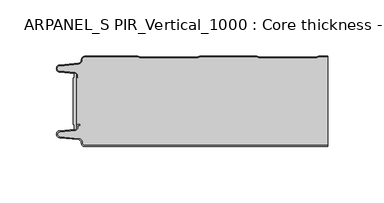
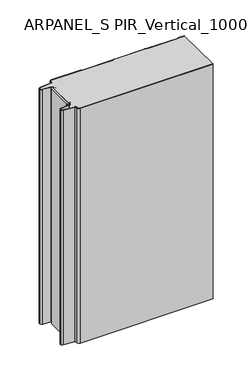
"""IFC4 building model written with IfcOpenShell, lengths in millimetres: plate geometry, ARPANEL_S PIR_Vertical_1000 : Core thickness - 80 mm."""

from ifc_helpers import new_model, si_unit, point, frame, frame_2d, origin, origin_with_axes, place, context, project, spatial, polyline, circle_curve, trimmed, segment, composite_curve, outline, extrude, source, transform, mapped, element, save
from ifc_brep_helpers import plane_surface, cylinder_surface, revolved_surface, advanced_brep


def arpanel_s_pir_vertical_1000_core_thickness_80_mm_1b1b6f76(model_context):
    return source(origin(), model_context, "Body", "SolidModel", [
        extrude(outline(composite_curve([segment(polyline([(-105.2854621, -19.4639745), (-104.0682893, -19.0209598), (-104.0682893, -15.20918)]), True, "CONTINUOUS"), segment(trimmed(circle_curve(frame_2d((-103.9194754, -17.302662)), 2.0987645), [point((-104.0682893, -15.20918))], [point((-102.4659308, -15.7887199))], False, "CARTESIAN"), True, "CONTINUOUS"), segment(polyline([(-102.4659308, -15.7887199), (-102.4659308, -64.2112801)]), True, "CONTINUOUS"), segment(trimmed(circle_curve(frame_2d((-103.9194754, -62.697338)), 2.0987645), [point((-102.4659308, -64.2112801))], [point((-104.0682893, -64.79082))], False, "CARTESIAN"), True, "CONTINUOUS"), segment(polyline([(-104.0682893, -64.79082), (-104.0682893, -60.9790402), (-105.2854621, -60.5360255), (-105.2854621, -19.4639745)]), True, "CONTINUOUS")], self_intersect=False)), origin_with_axes(), (0.0, 0.0, 1.0), 400.0),
        advanced_brep(
        [(-94.8000003, -79.9996949, 0.0), (-97.9923632, -76.5787437, 0.0), (-100.2560431, -73.9171154, 0.0), (-117.2115315, -72.2546153, 0.0), (-119.9999998, -69.1776715, 0.0), (-117.2115315, -66.1007278, 0.0), (-103.6195785, -64.7680252, 0.0), (-101.9952277, -62.9766159, 0.0), (-101.9952277, -61.8996949, 0.0), (-100.5952277, -60.4996949, 0.0), (-99.4952277, -60.4996949, 0.0), (-99.4952277, -61.2996949, 0.0), (-100.5952277, -61.2996949, 0.0), (-101.1952277, -61.8996949, 0.0), (-101.1952277, -62.9766159, 0.0), (-103.5415122, -65.5642071, 0.0), (-117.1334652, -66.8969097, 0.0), (-119.1999997, -69.1776715, 0.0), (-117.1334652, -71.4584333, 0.0), (-100.1779767, -73.1209335, 0.0), (-97.2078761, -76.6330399, 0.0), (-94.8000003, -79.1996949, 0.0), (119.9999998, -79.2, 0.0), (119.9999998, -79.9996949, 0.0), (-94.8000003, -79.1996949, 400.0), (-97.1942724, -76.6339815, 400.0), (-100.1779767, -73.1209335, 400.0), (-117.1334652, -71.4584333, 400.0), (-119.1999997, -69.1776715, 400.0), (-117.1334652, -66.8969097, 400.0), (-103.5415122, -65.5642071, 400.0), (-101.1952277, -62.9766159, 400.0), (-101.1952277, -61.8996949, 400.0), (-100.5952277, -61.2996949, 400.0), (-99.4952277, -61.2996949, 400.0), (-99.4952277, -60.4996949, 400.0), (-100.5952277, -60.4996949, 400.0), (-101.9952277, -61.8996949, 400.0), (-101.9952277, -62.9766159, 400.0), (-103.6195785, -64.7680252, 400.0), (-117.2115315, -66.1007278, 400.0), (-119.9999998, -69.1776715, 400.0), (-117.2115315, -72.2546153, 400.0), (-100.2560431, -73.9171154, 400.0), (-98.0059668, -76.5778021, 400.0), (-94.8000003, -79.9996949, 400.0), (119.9999998, -79.9996949, 400.0), (119.9999998, -79.2, 400.0)],
        [
            (0, 1, circle_curve(frame((-94.8000003, -76.7996949, 0.0), z_axis=(0.0, 0.0, -1.0), x_axis=(1.0, 0.0, 0.0)), 3.2)),
            (1, 2, circle_curve(frame((-100.5000003, -76.4051839, 0.0), z_axis=(0.0, 0.0, 1.0), x_axis=(1.0, 0.0, 0.0)), 2.5)),
            (2, 3),
            (3, 4, circle_curve(frame((-116.9100003, -69.1793626, 0.0), z_axis=(0.0, 0.0, -1.0), x_axis=(1.0, 0.0, 0.0)), 3.09)),
            (4, 5, circle_curve(frame((-116.9100003, -69.1759805, 0.0), z_axis=(0.0, 0.0, -1.0), x_axis=(1.0, 0.0, 0.0)), 3.09)),
            (5, 6),
            (6, 7, circle_curve(frame((-103.7952277, -62.9766159, 0.0), z_axis=(0.0, 0.0, 1.0), x_axis=(1.0, 0.0, 0.0)), 1.8)),
            (7, 8),
            (8, 9, circle_curve(frame((-100.5952277, -61.8996949, 0.0), z_axis=(0.0, 0.0, -1.0), x_axis=(1.0, 0.0, 0.0)), 1.4)),
            (9, 10),
            (10, 11),
            (11, 12),
            (12, 13, circle_curve(frame((-100.5952277, -61.8996949, 0.0), z_axis=(0.0, 0.0, 1.0), x_axis=(1.0, 0.0, 0.0)), 0.6)),
            (13, 14),
            (14, 15, circle_curve(frame((-103.7952277, -62.9766159, 0.0), z_axis=(0.0, 0.0, -1.0), x_axis=(1.0, 0.0, 0.0)), 2.6)),
            (15, 16),
            (16, 17, circle_curve(frame((-116.9100003, -69.1759805, 0.0), z_axis=(0.0, 0.0, 1.0), x_axis=(1.0, 0.0, 0.0)), 2.29)),
            (17, 18, circle_curve(frame((-116.9100003, -69.1793626, 0.0), z_axis=(0.0, 0.0, 1.0), x_axis=(1.0, 0.0, 0.0)), 2.29)),
            (18, 19),
            (19, 20, circle_curve(frame((-100.5000003, -76.4051839, 0.0), z_axis=(0.0, 0.0, -1.0), x_axis=(1.0, 0.0, 0.0)), 3.3)),
            (20, 21, circle_curve(frame((-94.8000003, -76.7996949, 0.0), z_axis=(0.0, 0.0, 1.0), x_axis=(1.0, 0.0, 0.0)), 2.4)),
            (21, 22),
            (22, 23),
            (23, 0),
            (24, 25, circle_curve(frame((-94.8000003, -76.7996949, 400.0), z_axis=(0.0, 0.0, -1.0), x_axis=(1.0, 0.0, 0.0)), 2.4)),
            (25, 26, circle_curve(frame((-100.5000003, -76.4051839, 400.0), z_axis=(0.0, 0.0, 1.0), x_axis=(1.0, 0.0, 0.0)), 3.3)),
            (26, 27),
            (27, 28, circle_curve(frame((-116.9100003, -69.1793626, 400.0), z_axis=(0.0, 0.0, -1.0), x_axis=(1.0, 0.0, 0.0)), 2.29)),
            (28, 29, circle_curve(frame((-116.9100003, -69.1759805, 400.0), z_axis=(0.0, 0.0, -1.0), x_axis=(1.0, 0.0, 0.0)), 2.29)),
            (29, 30),
            (30, 31, circle_curve(frame((-103.7952277, -62.9766159, 400.0), z_axis=(0.0, 0.0, 1.0), x_axis=(1.0, 0.0, 0.0)), 2.6)),
            (31, 32),
            (32, 33, circle_curve(frame((-100.5952277, -61.8996949, 400.0), z_axis=(0.0, 0.0, -1.0), x_axis=(1.0, 0.0, 0.0)), 0.6)),
            (33, 34),
            (34, 35),
            (35, 36),
            (36, 37, circle_curve(frame((-100.5952277, -61.8996949, 400.0), z_axis=(0.0, 0.0, 1.0), x_axis=(1.0, 0.0, 0.0)), 1.4)),
            (37, 38),
            (38, 39, circle_curve(frame((-103.7952277, -62.9766159, 400.0), z_axis=(0.0, 0.0, -1.0), x_axis=(1.0, 0.0, 0.0)), 1.8)),
            (39, 40),
            (40, 41, circle_curve(frame((-116.9100003, -69.1759805, 400.0), z_axis=(0.0, 0.0, 1.0), x_axis=(1.0, 0.0, 0.0)), 3.09)),
            (41, 42, circle_curve(frame((-116.9100003, -69.1793626, 400.0), z_axis=(0.0, 0.0, 1.0), x_axis=(1.0, 0.0, 0.0)), 3.09)),
            (42, 43),
            (43, 44, circle_curve(frame((-100.5000003, -76.4051839, 400.0), z_axis=(0.0, 0.0, -1.0), x_axis=(1.0, 0.0, 0.0)), 2.5)),
            (44, 45, circle_curve(frame((-94.8000003, -76.7996949, 400.0), z_axis=(0.0, 0.0, 1.0), x_axis=(1.0, 0.0, 0.0)), 3.2)),
            (45, 46),
            (46, 47),
            (47, 24),
            (21, 24),
            (47, 22),
            (20, 25),
            (19, 26),
            (18, 27),
            (17, 28),
            (16, 29),
            (15, 30),
            (14, 31),
            (13, 32),
            (12, 33),
            (11, 34),
            (10, 35),
            (9, 36),
            (8, 37),
            (7, 38),
            (6, 39),
            (5, 40),
            (4, 41),
            (3, 42),
            (2, 43),
            (1, 44),
            (0, 45),
            (23, 46),
        ],
        [
            plane_surface(frame((-119.9999998, -80.0, 0.0), z_axis=(0.0, 0.0, -1.0), x_axis=(0.0, 1.0, 0.0))),
            plane_surface(frame((-119.9999998, -80.0, 400.0), z_axis=(0.0, 0.0, 1.0), x_axis=(0.0, 1.0, 0.0))),
            plane_surface(frame((-94.8000003, -79.2, 0.0), z_axis=(0.0, 1.0, 0.0), x_axis=(0.0, 0.0, 1.0))),
            revolved_surface(polyline([(-92.40000029999999, -76.7996949, 400.0), (-92.40000029999999, -76.7996949, 0.0)]), (-94.8000003, -76.7996949, 0.0), (0.0, 0.0, 1.0)),
            cylinder_surface(frame((-100.5000003, -76.4051839, 0.0), z_axis=(0.0, 0.0, -1.0), x_axis=(1.0, 0.0, 0.0)), 3.3),
            plane_surface(frame((-117.1334652, -71.4584333, 0.0), z_axis=(0.09758289975914758, 0.9952273999818314, 0.0), x_axis=(0.0, 0.0, 1.0))),
            revolved_surface(polyline([(-114.62000029999999, -69.1793626, 400.0), (-114.62000029999999, -69.1793626, 0.0)]), (-116.9100003, -69.1793626, 0.0), (0.0, 0.0, 1.0)),
            revolved_surface(polyline([(-114.62000029999999, -69.1759805, 400.0), (-114.62000029999999, -69.1759805, 0.0)]), (-116.9100003, -69.1759805, 0.0), (0.0, 0.0, 1.0)),
            plane_surface(frame((-103.5415122, -65.5642071, 0.0), z_axis=(0.09758289975914383, -0.9952273999818317, 0.0), x_axis=(0.0, 0.0, 1.0))),
            cylinder_surface(frame((-103.7952277, -62.9766159, 0.0), z_axis=(0.0, 0.0, -1.0), x_axis=(1.0, 0.0, 0.0)), 2.6),
            plane_surface(frame((-101.1952277, -61.8996949, 0.0), z_axis=(1.0, 0.0, 0.0), x_axis=(0.0, 0.0, 1.0))),
            revolved_surface(polyline([(-99.9952277, -61.8996949, 400.0), (-99.9952277, -61.8996949, 0.0)]), (-100.5952277, -61.8996949, 0.0), (0.0, 0.0, 1.0)),
            plane_surface(frame((-99.4952277, -61.2996949, 0.0), z_axis=(0.0, -1.0, 0.0), x_axis=(0.0, 0.0, 1.0))),
            plane_surface(frame((-99.4952277, -60.4996949, 0.0), z_axis=(1.0, 0.0, 0.0), x_axis=(0.0, 0.0, 1.0))),
            plane_surface(frame((-100.5952277, -60.4996949, 0.0), z_axis=(0.0, 1.0, 0.0), x_axis=(0.0, 0.0, 1.0))),
            cylinder_surface(frame((-100.5952277, -61.8996949, 0.0), z_axis=(0.0, 0.0, -1.0), x_axis=(1.0, 0.0, 0.0)), 1.4),
            plane_surface(frame((-101.9952277, -62.9766159, 0.0), z_axis=(-1.0, 0.0, 0.0), x_axis=(0.0, 0.0, 1.0))),
            revolved_surface(polyline([(-101.9952277, -62.9766159, 400.0), (-101.9952277, -62.9766159, 0.0)]), (-103.7952277, -62.9766159, 0.0), (0.0, 0.0, 1.0)),
            plane_surface(frame((-117.2115315, -66.1007278, 0.0), z_axis=(-0.09758289975914387, 0.9952273999818317, 0.0), x_axis=(0.0, 0.0, 1.0))),
            cylinder_surface(frame((-116.9100003, -69.1759805, 0.0), z_axis=(0.0, 0.0, -1.0), x_axis=(1.0, 0.0, 0.0)), 3.09),
            cylinder_surface(frame((-116.9100003, -69.1793626, 0.0), z_axis=(0.0, 0.0, -1.0), x_axis=(1.0, 0.0, 0.0)), 3.09),
            plane_surface(frame((-100.2560431, -73.9171154, 0.0), z_axis=(-0.09758289975914762, -0.9952273999818314, 0.0), x_axis=(0.0, 0.0, 1.0))),
            revolved_surface(polyline([(-98.0000003, -76.4051839, 400.0), (-98.0000003, -76.4051839, 0.0)]), (-100.5000003, -76.4051839, 0.0), (0.0, 0.0, 1.0)),
            cylinder_surface(frame((-94.8000003, -76.7996949, 0.0), z_axis=(0.0, 0.0, -1.0), x_axis=(1.0, 0.0, 0.0)), 3.2),
            plane_surface(frame((896.009932, -79.9996949, 0.0), z_axis=(0.0, -1.0, 0.0), x_axis=(0.0, 0.0, 1.0))),
            plane_surface(frame((119.9999998, 180.0, 400.0), z_axis=(1.0, 0.0, 0.0), x_axis=(0.0, 0.0, -1.0))),
        ],
        [
            (0, [[1, 2, 3, 4, 5, 6, 7, 8, 9, 10, 11, 12, 13, 14, 15, 16, 17, 18, 19, 20, 21, 22, 23, 24]]),
            (1, [[25, 26, 27, 28, 29, 30, 31, 32, 33, 34, 35, 36, 37, 38, 39, 40, 41, 42, 43, 44, 45, 46, 47, 48]]),
            (2, [[49, -48, 50, -22]]),
            (3, [[-21, 51, -25, -49]]),
            (4, [[-20, 52, -26, -51]]),
            (5, [[-19, 53, -27, -52]]),
            (6, [[-18, 54, -28, -53]]),
            (7, [[-17, 55, -29, -54]]),
            (8, [[-16, 56, -30, -55]]),
            (9, [[-15, 57, -31, -56]]),
            (10, [[-14, 58, -32, -57]]),
            (11, [[-13, 59, -33, -58]]),
            (12, [[-12, 60, -34, -59]]),
            (13, [[-11, 61, -35, -60]]),
            (14, [[-10, 62, -36, -61]]),
            (15, [[-9, 63, -37, -62]]),
            (16, [[-8, 64, -38, -63]]),
            (17, [[-7, 65, -39, -64]]),
            (18, [[-6, 66, -40, -65]]),
            (19, [[-5, 67, -41, -66]]),
            (20, [[-4, 68, -42, -67]]),
            (21, [[-3, 69, -43, -68]]),
            (22, [[-2, 70, -44, -69]]),
            (23, [[-1, 71, -45, -70]]),
            (24, [[-71, -24, 72, -46]]),
            (25, [[-23, -50, -47, -72]]),
        ],
    ),
        advanced_brep(
        [(-101.9952277, -17.0233841, 400.0), (-102.4671027, -15.8084422, 400.0), (-102.4671027, -64.1915578, 400.0), (-101.9952277, -62.9766159, 400.0), (-101.9952277, -61.8996949, 400.0), (-100.5952277, -60.4996949, 400.0), (-99.4952277, -60.4996949, 400.0), (-99.4952277, -61.2996949, 400.0), (-100.5952277, -61.2996949, 400.0), (-101.1952277, -61.8996949, 400.0), (-101.1952277, -62.9766159, 400.0), (-103.5415122, -65.5642071, 400.0), (-117.1334652, -66.8969097, 400.0), (-119.1999997, -69.1776715, 400.0), (-117.1334652, -71.4584333, 400.0), (-100.1779767, -73.1209335, 400.0), (-97.2078761, -76.6330399, 400.0), (-94.8000003, -79.1996949, 400.0), (119.9999998, -79.2, 400.0), (119.9999998, -0.8, 400.0), (112.3119565, -0.8, 400.0), (111.2605406, -1.0986697, 400.0), (109.8401597, -1.5003051, 400.0), (59.6803765, -1.5003051, 400.0), (58.2609651, -1.0971009, 400.0), (57.2085797, -0.8, 400.0), (7.0487965, -0.8, 400.0), (5.9973806, -1.0986697, 400.0), (4.5769997, -1.5003051, 400.0), (-45.5827835, -1.5003051, 400.0), (-47.0021949, -1.0971009, 400.0), (-48.0545803, -0.8, 400.0), (-94.8000003, -0.8, 400.0), (-97.1942724, -3.3660185, 400.0), (-100.1779767, -6.8790665, 400.0), (-117.1334652, -8.5415667, 400.0), (-119.1999997, -10.8223285, 400.0), (-117.1334652, -13.1030903, 400.0), (-103.5415122, -14.4357929, 400.0), (-101.1952277, -17.0233841, 400.0), (-101.1952277, -18.1003051, 400.0), (-100.5952277, -18.7003051, 400.0), (-99.4952277, -18.7003051, 400.0), (-99.4952277, -19.5003051, 400.0), (-100.5952277, -19.5003051, 400.0), (-101.9952277, -18.1003051, 400.0), (-102.4671027, -15.8084422, 0.0), (-101.9952277, -17.0233841, 0.0), (-101.9952277, -18.1003051, 0.0), (-100.5952277, -19.5003051, 0.0), (-99.4952277, -19.5003051, 0.0), (-99.4952277, -18.7003051, 0.0), (-100.5952277, -18.7003051, 0.0), (-101.1952277, -18.1003051, 0.0), (-101.1952277, -17.0233841, 0.0), (-103.5415122, -14.4357929, 0.0), (-117.1334652, -13.1030903, 0.0), (-119.1999997, -10.8223285, 0.0), (-117.1334652, -8.5415667, 0.0), (-100.1779767, -6.8790665, 0.0), (-97.2078761, -3.3669601, 0.0), (-94.8000003, -0.8003051, 0.0), (-48.0545803, -0.8, 0.0), (-47.0031645, -1.0986697, 0.0), (-45.5827835, -1.5003051, 0.0), (4.5769997, -1.5003051, 0.0), (5.9964111, -1.0971009, 0.0), (7.0487965, -0.8, 0.0), (57.2085797, -0.8, 0.0), (58.2599955, -1.0986697, 0.0), (59.6803765, -1.5003051, 0.0), (109.8401597, -1.5003051, 0.0), (111.2595711, -1.0971009, 0.0), (112.3119565, -0.8, 0.0), (119.9999998, -0.8, 0.0), (119.9999998, -79.2, 0.0), (-94.8000003, -79.2, 0.0), (-97.1942724, -76.6339815, 0.0), (-100.1779767, -73.1209335, 0.0), (-117.1334652, -71.4584333, 0.0), (-119.1999997, -69.1776715, 0.0), (-117.1334652, -66.8969097, 0.0), (-103.5415122, -65.5642071, 0.0), (-101.1952277, -62.9766159, 0.0), (-101.1952277, -61.8996949, 0.0), (-100.5952277, -61.2996949, 0.0), (-99.4952277, -61.2996949, 0.0), (-99.4952277, -60.4996949, 0.0), (-100.5952277, -60.4996949, 0.0), (-101.9952277, -61.8996949, 0.0), (-101.9952277, -62.9766159, 0.0), (-102.4671027, -64.1915578, 0.0)],
        [
            (0, 1, circle_curve(frame((-103.7952277, -17.0233841, 400.0), z_axis=(0.0, 0.0, 1.0), x_axis=(1.0, 0.0, 0.0)), 1.8)),
            (1, 2),
            (2, 3, circle_curve(frame((-103.7952277, -62.9766159, 400.0), z_axis=(0.0, 0.0, 1.0), x_axis=(1.0, 0.0, 0.0)), 1.8)),
            (3, 4),
            (4, 5, circle_curve(frame((-100.5952277, -61.8996949, 400.0), z_axis=(0.0, 0.0, -1.0), x_axis=(1.0, 0.0, 0.0)), 1.4)),
            (5, 6),
            (6, 7),
            (7, 8),
            (8, 9, circle_curve(frame((-100.5952277, -61.8996949, 400.0), z_axis=(0.0, 0.0, 1.0), x_axis=(1.0, 0.0, 0.0)), 0.6)),
            (9, 10),
            (10, 11, circle_curve(frame((-103.7952277, -62.9766159, 400.0), z_axis=(0.0, 0.0, -1.0), x_axis=(1.0, 0.0, 0.0)), 2.6)),
            (11, 12),
            (12, 13, circle_curve(frame((-116.9100003, -69.1759805, 400.0), z_axis=(0.0, 0.0, 1.0), x_axis=(1.0, 0.0, 0.0)), 2.29)),
            (13, 14, circle_curve(frame((-116.9100003, -69.1793626, 400.0), z_axis=(0.0, 0.0, 1.0), x_axis=(1.0, 0.0, 0.0)), 2.29)),
            (14, 15),
            (15, 16, circle_curve(frame((-100.5000003, -76.4051839, 400.0), z_axis=(0.0, 0.0, -1.0), x_axis=(1.0, 0.0, 0.0)), 3.3)),
            (16, 17, circle_curve(frame((-94.8000003, -76.7996949, 400.0), z_axis=(0.0, 0.0, 1.0), x_axis=(1.0, 0.0, 0.0)), 2.4)),
            (17, 18),
            (18, 19),
            (19, 20),
            (20, 21, circle_curve(frame((112.3119565, -2.8, 400.0), z_axis=(0.0, 0.0, 1.0), x_axis=(1.0, 0.0, 0.0)), 2.0)),
            (21, 22, circle_curve(frame((109.8401597, 1.1996949, 400.0), z_axis=(0.0, 0.0, -1.0), x_axis=(1.0, 0.0, 0.0)), 2.7)),
            (22, 23),
            (23, 24, circle_curve(frame((59.6803765, 1.1996949, 400.0), z_axis=(0.0, 0.0, -1.0), x_axis=(1.0, 0.0, 0.0)), 2.7)),
            (24, 25, circle_curve(frame((57.2085797, -2.8, 400.0), z_axis=(0.0, 0.0, 1.0), x_axis=(1.0, 0.0, 0.0)), 2.0)),
            (25, 26),
            (26, 27, circle_curve(frame((7.0487965, -2.8, 400.0), z_axis=(0.0, 0.0, 1.0), x_axis=(1.0, 0.0, 0.0)), 2.0)),
            (27, 28, circle_curve(frame((4.5769997, 1.1996949, 400.0), z_axis=(0.0, 0.0, -1.0), x_axis=(1.0, 0.0, 0.0)), 2.7)),
            (28, 29),
            (29, 30, circle_curve(frame((-45.5827835, 1.1996949, 400.0), z_axis=(0.0, 0.0, -1.0), x_axis=(1.0, 0.0, 0.0)), 2.7)),
            (30, 31, circle_curve(frame((-48.0545803, -2.8, 400.0), z_axis=(0.0, 0.0, 1.0), x_axis=(1.0, 0.0, 0.0)), 2.0)),
            (31, 32),
            (32, 33, circle_curve(frame((-94.8000003, -3.2003051, 400.0), z_axis=(0.0, 0.0, 1.0), x_axis=(1.0, 0.0, 0.0)), 2.4)),
            (33, 34, circle_curve(frame((-100.5000003, -3.5948161, 400.0), z_axis=(0.0, 0.0, -1.0), x_axis=(1.0, 0.0, 0.0)), 3.3)),
            (34, 35),
            (35, 36, circle_curve(frame((-116.9100003, -10.8206374, 400.0), z_axis=(0.0, 0.0, 1.0), x_axis=(1.0, 0.0, 0.0)), 2.29)),
            (36, 37, circle_curve(frame((-116.9100003, -10.8240195, 400.0), z_axis=(0.0, 0.0, 1.0), x_axis=(1.0, 0.0, 0.0)), 2.29)),
            (37, 38),
            (38, 39, circle_curve(frame((-103.7952277, -17.0233841, 400.0), z_axis=(0.0, 0.0, -1.0), x_axis=(1.0, 0.0, 0.0)), 2.6)),
            (39, 40),
            (40, 41, circle_curve(frame((-100.5952277, -18.1003051, 400.0), z_axis=(0.0, 0.0, 1.0), x_axis=(1.0, 0.0, 0.0)), 0.6)),
            (41, 42),
            (42, 43),
            (43, 44),
            (44, 45, circle_curve(frame((-100.5952277, -18.1003051, 400.0), z_axis=(0.0, 0.0, -1.0), x_axis=(1.0, 0.0, 0.0)), 1.4)),
            (45, 0),
            (46, 47, circle_curve(frame((-103.7952277, -17.0233841, 0.0), z_axis=(0.0, 0.0, -1.0), x_axis=(1.0, 0.0, 0.0)), 1.8)),
            (47, 48),
            (48, 49, circle_curve(frame((-100.5952277, -18.1003051, 0.0), z_axis=(0.0, 0.0, 1.0), x_axis=(1.0, 0.0, 0.0)), 1.4)),
            (49, 50),
            (50, 51),
            (51, 52),
            (52, 53, circle_curve(frame((-100.5952277, -18.1003051, 0.0), z_axis=(0.0, 0.0, -1.0), x_axis=(1.0, 0.0, 0.0)), 0.6)),
            (53, 54),
            (54, 55, circle_curve(frame((-103.7952277, -17.0233841, 0.0), z_axis=(0.0, 0.0, 1.0), x_axis=(1.0, 0.0, 0.0)), 2.6)),
            (55, 56),
            (56, 57, circle_curve(frame((-116.9100003, -10.8240195, 0.0), z_axis=(0.0, 0.0, -1.0), x_axis=(1.0, 0.0, 0.0)), 2.29)),
            (57, 58, circle_curve(frame((-116.9100003, -10.8206374, 0.0), z_axis=(0.0, 0.0, -1.0), x_axis=(1.0, 0.0, 0.0)), 2.29)),
            (58, 59),
            (59, 60, circle_curve(frame((-100.5000003, -3.5948161, 0.0), z_axis=(0.0, 0.0, 1.0), x_axis=(1.0, 0.0, 0.0)), 3.3)),
            (60, 61, circle_curve(frame((-94.8000003, -3.2003051, 0.0), z_axis=(0.0, 0.0, -1.0), x_axis=(1.0, 0.0, 0.0)), 2.4)),
            (61, 62),
            (62, 63, circle_curve(frame((-48.0545803, -2.8, 0.0), z_axis=(0.0, 0.0, -1.0), x_axis=(1.0, 0.0, 0.0)), 2.0)),
            (63, 64, circle_curve(frame((-45.5827835, 1.1996949, 0.0), z_axis=(0.0, 0.0, 1.0), x_axis=(1.0, 0.0, 0.0)), 2.7)),
            (64, 65),
            (65, 66, circle_curve(frame((4.5769997, 1.1996949, 0.0), z_axis=(0.0, 0.0, 1.0), x_axis=(1.0, 0.0, 0.0)), 2.7)),
            (66, 67, circle_curve(frame((7.0487965, -2.8, 0.0), z_axis=(0.0, 0.0, -1.0), x_axis=(1.0, 0.0, 0.0)), 2.0)),
            (67, 68),
            (68, 69, circle_curve(frame((57.2085797, -2.8, 0.0), z_axis=(0.0, 0.0, -1.0), x_axis=(1.0, 0.0, 0.0)), 2.0)),
            (69, 70, circle_curve(frame((59.6803765, 1.1996949, 0.0), z_axis=(0.0, 0.0, 1.0), x_axis=(1.0, 0.0, 0.0)), 2.7)),
            (70, 71),
            (71, 72, circle_curve(frame((109.8401597, 1.1996949, 0.0), z_axis=(0.0, 0.0, 1.0), x_axis=(1.0, 0.0, 0.0)), 2.7)),
            (72, 73, circle_curve(frame((112.3119565, -2.8, 0.0), z_axis=(0.0, 0.0, -1.0), x_axis=(1.0, 0.0, 0.0)), 2.0)),
            (73, 74),
            (74, 75),
            (75, 76),
            (76, 77, circle_curve(frame((-94.8000003, -76.7996949, 0.0), z_axis=(0.0, 0.0, -1.0), x_axis=(1.0, 0.0, 0.0)), 2.4)),
            (77, 78, circle_curve(frame((-100.5000003, -76.4051839, 0.0), z_axis=(0.0, 0.0, 1.0), x_axis=(1.0, 0.0, 0.0)), 3.3)),
            (78, 79),
            (79, 80, circle_curve(frame((-116.9100003, -69.1793626, 0.0), z_axis=(0.0, 0.0, -1.0), x_axis=(1.0, 0.0, 0.0)), 2.29)),
            (80, 81, circle_curve(frame((-116.9100003, -69.1759805, 0.0), z_axis=(0.0, 0.0, -1.0), x_axis=(1.0, 0.0, 0.0)), 2.29)),
            (81, 82),
            (82, 83, circle_curve(frame((-103.7952277, -62.9766159, 0.0), z_axis=(0.0, 0.0, 1.0), x_axis=(1.0, 0.0, 0.0)), 2.6)),
            (83, 84),
            (84, 85, circle_curve(frame((-100.5952277, -61.8996949, 0.0), z_axis=(0.0, 0.0, -1.0), x_axis=(1.0, 0.0, 0.0)), 0.6)),
            (85, 86),
            (86, 87),
            (87, 88),
            (88, 89, circle_curve(frame((-100.5952277, -61.8996949, 0.0), z_axis=(0.0, 0.0, 1.0), x_axis=(1.0, 0.0, 0.0)), 1.4)),
            (89, 90),
            (90, 91, circle_curve(frame((-103.7952277, -62.9766159, 0.0), z_axis=(0.0, 0.0, -1.0), x_axis=(1.0, 0.0, 0.0)), 1.8)),
            (91, 46),
            (1, 46),
            (91, 2),
            (0, 47),
            (45, 48),
            (44, 49),
            (43, 50),
            (51, 42),
            (41, 52),
            (40, 53),
            (39, 54),
            (38, 55),
            (37, 56),
            (36, 57),
            (35, 58),
            (34, 59),
            (33, 60),
            (32, 61),
            (31, 62),
            (30, 63),
            (29, 64),
            (28, 65),
            (27, 66),
            (26, 67),
            (25, 68),
            (24, 69),
            (23, 70),
            (22, 71),
            (21, 72),
            (20, 73),
            (19, 74),
            (17, 76),
            (75, 18),
            (16, 77),
            (15, 78),
            (14, 79),
            (13, 80),
            (12, 81),
            (11, 82),
            (10, 83),
            (9, 84),
            (8, 85),
            (7, 86),
            (6, 87),
            (5, 88),
            (4, 89),
            (3, 90),
        ],
        [
            plane_surface(frame((-119.9999998, 0.0, 400.0), z_axis=(0.0, 0.0, 1.0), x_axis=(0.0, -1.0, 0.0))),
            plane_surface(frame((-119.9999998, 0.0, 0.0), z_axis=(0.0, 0.0, -1.0), x_axis=(0.0, -1.0, 0.0))),
            plane_surface(frame((-102.4671027, -14.998578, 400.0), z_axis=(-1.0, 0.0, 0.0), x_axis=(0.0, 0.0, -1.0))),
            cylinder_surface(frame((-103.7952277, -17.0233841, 530.0), z_axis=(0.0, 0.0, -1.0), x_axis=(1.0, 0.0, 0.0)), 1.8),
            plane_surface(frame((-101.9952277, -17.0233841, 530.0), z_axis=(1.0, 0.0, 0.0), x_axis=(0.0, 0.0, -1.0))),
            revolved_surface(polyline([(-99.19522769999999, -18.1003051, 400.0), (-99.19522769999999, -18.1003051, 0.0)]), (-100.5952277, -18.1003051, 530.0), (0.0, 0.0, 1.0)),
            plane_surface(frame((-100.5952277, -19.5003051, 530.0), z_axis=(0.0, 1.0, 0.0), x_axis=(0.0, 0.0, -1.0))),
            plane_surface(frame((-99.4952277, -18.7003051, 530.0), z_axis=(0.0, -1.0, 0.0), x_axis=(0.0, 0.0, -1.0))),
            cylinder_surface(frame((-100.5952277, -18.1003051, 530.0), z_axis=(0.0, 0.0, -1.0), x_axis=(1.0, 0.0, 0.0)), 0.6),
            plane_surface(frame((-101.1952277, -18.1003051, 530.0), z_axis=(-1.0, 0.0, 0.0), x_axis=(0.0, 0.0, -1.0))),
            revolved_surface(polyline([(-101.1952277, -17.0233841, 400.0), (-101.1952277, -17.0233841, 0.0)]), (-103.7952277, -17.0233841, 530.0), (0.0, 0.0, 1.0)),
            plane_surface(frame((-103.5415122, -14.4357929, 530.0), z_axis=(-0.09758289975914705, -0.9952273999818314, 0.0), x_axis=(0.0, 0.0, -1.0))),
            cylinder_surface(frame((-116.9100003, -10.8240195, 530.0), z_axis=(0.0, 0.0, -1.0), x_axis=(1.0, 0.0, 0.0)), 2.29),
            cylinder_surface(frame((-116.9100003, -10.8206374, 530.0), z_axis=(0.0, 0.0, -1.0), x_axis=(1.0, 0.0, 0.0)), 2.29),
            plane_surface(frame((-117.1334652, -8.5415667, 530.0), z_axis=(-0.09758289975914436, 0.9952273999818317, 0.0), x_axis=(0.0, 0.0, -1.0))),
            revolved_surface(polyline([(-97.2000003, -3.5948161, 400.0), (-97.2000003, -3.5948161, 0.0)]), (-100.5000003, -3.5948161, 530.0), (0.0, 0.0, 1.0)),
            cylinder_surface(frame((-94.8000003, -3.2003051, 530.0), z_axis=(0.0, 0.0, -1.0), x_axis=(1.0, 0.0, 0.0)), 2.4),
            plane_surface(frame((-94.8000003, -0.8, 530.0), z_axis=(0.0, 1.0, 0.0), x_axis=(0.0, 0.0, -1.0))),
            cylinder_surface(frame((-48.0545803, -2.8, 530.0), z_axis=(0.0, 0.0, -1.0), x_axis=(1.0, 0.0, 0.0)), 2.0),
            revolved_surface(polyline([(-42.882783499999995, 1.1996949, 400.0), (-42.882783499999995, 1.1996949, 0.0)]), (-45.5827835, 1.1996949, 530.0), (0.0, 0.0, 1.0)),
            plane_surface(frame((-45.5827835, -1.5003051, 530.0), z_axis=(0.0, 1.0, 0.0), x_axis=(0.0, 0.0, -1.0))),
            revolved_surface(polyline([(7.2769997, 1.1996949, 400.0), (7.2769997, 1.1996949, 0.0)]), (4.5769997, 1.1996949, 530.0), (0.0, 0.0, 1.0)),
            cylinder_surface(frame((7.0487965, -2.8, 530.0), z_axis=(0.0, 0.0, -1.0), x_axis=(1.0, 0.0, 0.0)), 2.0),
            plane_surface(frame((7.0487965, -0.8, 530.0), z_axis=(0.0, 1.0, 0.0), x_axis=(0.0, 0.0, -1.0))),
            cylinder_surface(frame((57.2085797, -2.8, 530.0), z_axis=(0.0, 0.0, -1.0), x_axis=(1.0, 0.0, 0.0)), 2.0),
            revolved_surface(polyline([(62.380376500000004, 1.1996949, 400.0), (62.380376500000004, 1.1996949, 0.0)]), (59.6803765, 1.1996949, 530.0), (0.0, 0.0, 1.0)),
            plane_surface(frame((59.6803765, -1.5003051, 530.0), z_axis=(0.0, 1.0, 0.0), x_axis=(0.0, 0.0, -1.0))),
            revolved_surface(polyline([(112.5401597, 1.1996949, 400.0), (112.5401597, 1.1996949, 0.0)]), (109.8401597, 1.1996949, 530.0), (0.0, 0.0, 1.0)),
            cylinder_surface(frame((112.3119565, -2.8, 530.0), z_axis=(0.0, 0.0, -1.0), x_axis=(1.0, 0.0, 0.0)), 2.0),
            plane_surface(frame((112.3119565, -0.8, 530.0), z_axis=(0.0, 1.0, 0.0), x_axis=(0.0, 0.0, -1.0))),
            plane_surface(frame((-99.4952277, -19.5003051, 530.0), z_axis=(-1.0, 0.0, 0.0), x_axis=(0.0, 0.0, -1.0))),
            plane_surface(frame((896.009932, -79.2, 530.0), z_axis=(0.0, -1.0, 0.0), x_axis=(0.0, 0.0, -1.0))),
            cylinder_surface(frame((-94.8000003, -76.7996949, 530.0), z_axis=(0.0, 0.0, -1.0), x_axis=(1.0, 0.0, 0.0)), 2.4),
            revolved_surface(polyline([(-97.2000003, -76.4051839, 400.0), (-97.2000003, -76.4051839, 0.0)]), (-100.5000003, -76.4051839, 530.0), (0.0, 0.0, 1.0)),
            plane_surface(frame((-100.1779767, -73.1209335, 530.0), z_axis=(-0.09758289975914758, -0.9952273999818314, 0.0), x_axis=(0.0, 0.0, -1.0))),
            cylinder_surface(frame((-116.9100003, -69.1793626, 530.0), z_axis=(0.0, 0.0, -1.0), x_axis=(1.0, 0.0, 0.0)), 2.29),
            cylinder_surface(frame((-116.9100003, -69.1759805, 530.0), z_axis=(0.0, 0.0, -1.0), x_axis=(1.0, 0.0, 0.0)), 2.29),
            plane_surface(frame((-117.1334652, -66.8969097, 530.0), z_axis=(-0.09758289975914383, 0.9952273999818317, 0.0), x_axis=(0.0, 0.0, -1.0))),
            revolved_surface(polyline([(-101.1952277, -62.9766159, 400.0), (-101.1952277, -62.9766159, 0.0)]), (-103.7952277, -62.9766159, 530.0), (0.0, 0.0, 1.0)),
            plane_surface(frame((-101.1952277, -62.9766159, 530.0), z_axis=(-1.0, 0.0, 0.0), x_axis=(0.0, 0.0, -1.0))),
            cylinder_surface(frame((-100.5952277, -61.8996949, 530.0), z_axis=(0.0, 0.0, -1.0), x_axis=(1.0, 0.0, 0.0)), 0.6),
            plane_surface(frame((-100.5952277, -61.2996949, 530.0), z_axis=(0.0, 1.0, 0.0), x_axis=(0.0, 0.0, -1.0))),
            plane_surface(frame((-99.4952277, -61.2996949, 530.0), z_axis=(-1.0, 0.0, 0.0), x_axis=(0.0, 0.0, -1.0))),
            plane_surface(frame((-99.4952277, -60.4996949, 530.0), z_axis=(0.0, -1.0, 0.0), x_axis=(0.0, 0.0, -1.0))),
            revolved_surface(polyline([(-99.19522769999999, -61.8996949, 400.0), (-99.19522769999999, -61.8996949, 0.0)]), (-100.5952277, -61.8996949, 530.0), (0.0, 0.0, 1.0)),
            plane_surface(frame((-101.9952277, -61.8996949, 530.0), z_axis=(1.0, 0.0, 0.0), x_axis=(0.0, 0.0, -1.0))),
            cylinder_surface(frame((-103.7952277, -62.9766159, 530.0), z_axis=(0.0, 0.0, -1.0), x_axis=(1.0, 0.0, 0.0)), 1.8),
            plane_surface(frame((119.9999998, 180.0, 400.0), z_axis=(1.0, 0.0, 0.0), x_axis=(0.0, 0.0, -1.0))),
        ],
        [
            (0, [[1, 2, 3, 4, 5, 6, 7, 8, 9, 10, 11, 12, 13, 14, 15, 16, 17, 18, 19, 20, 21, 22, 23, 24, 25, 26, 27, 28, 29, 30, 31, 32, 33, 34, 35, 36, 37, 38, 39, 40, 41, 42, 43, 44, 45, 46]]),
            (1, [[47, 48, 49, 50, 51, 52, 53, 54, 55, 56, 57, 58, 59, 60, 61, 62, 63, 64, 65, 66, 67, 68, 69, 70, 71, 72, 73, 74, 75, 76, 77, 78, 79, 80, 81, 82, 83, 84, 85, 86, 87, 88, 89, 90, 91, 92]]),
            (2, [[93, -92, 94, -2]]),
            (3, [[95, -47, -93, -1]]),
            (4, [[-95, -46, 96, -48]]),
            (5, [[-96, -45, 97, -49]]),
            (6, [[-97, -44, 98, -50]]),
            (7, [[99, -42, 100, -52]]),
            (8, [[-100, -41, 101, -53]]),
            (9, [[-101, -40, 102, -54]]),
            (10, [[-102, -39, 103, -55]]),
            (11, [[-103, -38, 104, -56]]),
            (12, [[-104, -37, 105, -57]]),
            (13, [[-105, -36, 106, -58]]),
            (14, [[-106, -35, 107, -59]]),
            (15, [[-107, -34, 108, -60]]),
            (16, [[-108, -33, 109, -61]]),
            (17, [[-109, -32, 110, -62]]),
            (18, [[-110, -31, 111, -63]]),
            (19, [[-111, -30, 112, -64]]),
            (20, [[-112, -29, 113, -65]]),
            (21, [[-113, -28, 114, -66]]),
            (22, [[-114, -27, 115, -67]]),
            (23, [[-115, -26, 116, -68]]),
            (24, [[-116, -25, 117, -69]]),
            (25, [[-117, -24, 118, -70]]),
            (26, [[-118, -23, 119, -71]]),
            (27, [[-119, -22, 120, -72]]),
            (28, [[-120, -21, 121, -73]]),
            (29, [[-121, -20, 122, -74]]),
            (30, [[-99, -51, -98, -43]]),
            (31, [[123, -76, 124, -18]]),
            (32, [[-123, -17, 125, -77]]),
            (33, [[-125, -16, 126, -78]]),
            (34, [[-126, -15, 127, -79]]),
            (35, [[-127, -14, 128, -80]]),
            (36, [[-128, -13, 129, -81]]),
            (37, [[-129, -12, 130, -82]]),
            (38, [[-130, -11, 131, -83]]),
            (39, [[-131, -10, 132, -84]]),
            (40, [[-132, -9, 133, -85]]),
            (41, [[-133, -8, 134, -86]]),
            (42, [[-134, -7, 135, -87]]),
            (43, [[-135, -6, 136, -88]]),
            (44, [[-136, -5, 137, -89]]),
            (45, [[-137, -4, 138, -90]]),
            (46, [[-138, -3, -94, -91]]),
            (47, [[-122, -19, -124, -75]]),
        ],
    ),
        advanced_brep(
        [(-47.0031645, -1.0986697, 0.0), (-48.0545803, -0.8, 0.0), (-94.8000003, -0.8, 0.0), (-97.1942724, -3.3660185, 0.0), (-100.1779767, -6.8790665, 0.0), (-117.1334652, -8.5415667, 0.0), (-119.1999997, -10.8223285, 0.0), (-117.1334652, -13.1030903, 0.0), (-103.5415122, -14.4357929, 0.0), (-101.1952277, -17.0233841, 0.0), (-101.1952277, -18.1003051, 0.0), (-100.5952277, -18.7003051, 0.0), (-99.4952277, -18.7003051, 0.0), (-99.4952277, -19.5003051, 0.0), (-100.5952277, -19.5003051, 0.0), (-101.9952277, -18.1003051, 0.0), (-101.9952277, -17.0233841, 0.0), (-103.6195785, -15.2319748, 0.0), (-117.2115315, -13.8992722, 0.0), (-119.9999998, -10.8223285, 0.0), (-117.2115315, -7.7453847, 0.0), (-100.2560431, -6.0828846, 0.0), (-98.0059668, -3.4221979, 0.0), (-94.8000003, -0.0003051, 0.0), (-48.0545803, -0.0003051, 0.0), (-46.6352472, -0.4034608, 0.0), (-45.5827835, -0.7003051, 0.0), (4.5769997, -0.7003051, 0.0), (5.6283575, -0.4016712, 0.0), (7.0487965, -0.0003051, 0.0), (57.2085797, -0.0003051, 0.0), (58.6279128, -0.4034608, 0.0), (59.6803765, -0.7003051, 0.0), (109.8401597, -0.7003051, 0.0), (110.8915175, -0.4016712, 0.0), (112.3119565, -0.0003051, 0.0), (119.9999998, -0.0003051, 0.0), (119.9999998, -0.8, 0.0), (112.3119565, -0.8, 0.0), (111.2605406, -1.0986697, 0.0), (109.8401597, -1.5003051, 0.0), (59.6803765, -1.5003051, 0.0), (58.2609651, -1.0971009, 0.0), (57.2085797, -0.8, 0.0), (7.0487965, -0.8, 0.0), (5.9973806, -1.0986697, 0.0), (4.5769997, -1.5003051, 0.0), (-45.5827835, -1.5003051, 0.0), (-47.0021949, -1.0971009, 400.0), (-45.5827835, -1.5003051, 400.0), (4.5769997, -1.5003051, 400.0), (5.9964111, -1.0971009, 400.0), (7.0487965, -0.8, 400.0), (57.2085797, -0.8, 400.0), (58.2599955, -1.0986697, 400.0), (59.6803765, -1.5003051, 400.0), (109.8401597, -1.5003051, 400.0), (111.2595711, -1.0971009, 400.0), (112.3119565, -0.8, 400.0), (119.9999998, -0.8, 400.0), (119.9999998, -0.0003051, 400.0), (112.3119565, -0.0003051, 400.0), (110.8926234, -0.4034608, 400.0), (109.8401597, -0.7003051, 400.0), (59.6803765, -0.7003051, 400.0), (58.6290186, -0.4016712, 400.0), (57.2085797, -0.0003051, 400.0), (7.0487965, -0.0003051, 400.0), (5.6294634, -0.4034608, 400.0), (4.5769997, -0.7003051, 400.0), (-45.5827835, -0.7003051, 400.0), (-46.6341414, -0.4016712, 400.0), (-48.0545803, -0.0003051, 400.0), (-94.8000003, -0.0003051, 400.0), (-97.9923632, -3.4212563, 400.0), (-100.2560431, -6.0828846, 400.0), (-117.2115315, -7.7453847, 400.0), (-119.9999998, -10.8223285, 400.0), (-117.2115315, -13.8992722, 400.0), (-103.6195785, -15.2319748, 400.0), (-101.9952277, -17.0233841, 400.0), (-101.9952277, -18.1003051, 400.0), (-100.5952277, -19.5003051, 400.0), (-99.4952277, -19.5003051, 400.0), (-99.4952277, -18.7003051, 400.0), (-100.5952277, -18.7003051, 400.0), (-101.1952277, -18.1003051, 400.0), (-101.1952277, -17.0233841, 400.0), (-103.5415122, -14.4357929, 400.0), (-117.1334652, -13.1030903, 400.0), (-119.1999997, -10.8223285, 400.0), (-117.1334652, -8.5415667, 400.0), (-100.1779767, -6.8790665, 400.0), (-97.2078761, -3.3669601, 400.0), (-94.8000003, -0.8003051, 400.0), (-48.0545803, -0.8, 400.0)],
        [
            (0, 1, circle_curve(frame((-48.0545803, -2.8, 0.0), z_axis=(0.0, 0.0, 1.0), x_axis=(1.0, 0.0, 0.0)), 2.0)),
            (1, 2),
            (2, 3, circle_curve(frame((-94.8000003, -3.2003051, 0.0), z_axis=(0.0, 0.0, 1.0), x_axis=(1.0, 0.0, 0.0)), 2.4)),
            (3, 4, circle_curve(frame((-100.5000003, -3.5948161, 0.0), z_axis=(0.0, 0.0, -1.0), x_axis=(1.0, 0.0, 0.0)), 3.3)),
            (4, 5),
            (5, 6, circle_curve(frame((-116.9100003, -10.8206374, 0.0), z_axis=(0.0, 0.0, 1.0), x_axis=(1.0, 0.0, 0.0)), 2.29)),
            (6, 7, circle_curve(frame((-116.9100003, -10.8240195, 0.0), z_axis=(0.0, 0.0, 1.0), x_axis=(1.0, 0.0, 0.0)), 2.29)),
            (7, 8),
            (8, 9, circle_curve(frame((-103.7952277, -17.0233841, 0.0), z_axis=(0.0, 0.0, -1.0), x_axis=(1.0, 0.0, 0.0)), 2.6)),
            (9, 10),
            (10, 11, circle_curve(frame((-100.5952277, -18.1003051, 0.0), z_axis=(0.0, 0.0, 1.0), x_axis=(1.0, 0.0, 0.0)), 0.6)),
            (11, 12),
            (12, 13),
            (13, 14),
            (14, 15, circle_curve(frame((-100.5952277, -18.1003051, 0.0), z_axis=(0.0, 0.0, -1.0), x_axis=(1.0, 0.0, 0.0)), 1.4)),
            (15, 16),
            (16, 17, circle_curve(frame((-103.7952277, -17.0233841, 0.0), z_axis=(0.0, 0.0, 1.0), x_axis=(1.0, 0.0, 0.0)), 1.8)),
            (17, 18),
            (18, 19, circle_curve(frame((-116.9100003, -10.8240195, 0.0), z_axis=(0.0, 0.0, -1.0), x_axis=(1.0, 0.0, 0.0)), 3.09)),
            (19, 20, circle_curve(frame((-116.9100003, -10.8206374, 0.0), z_axis=(0.0, 0.0, -1.0), x_axis=(1.0, 0.0, 0.0)), 3.09)),
            (20, 21),
            (21, 22, circle_curve(frame((-100.5000003, -3.5948161, 0.0), z_axis=(0.0, 0.0, 1.0), x_axis=(1.0, 0.0, 0.0)), 2.5)),
            (22, 23, circle_curve(frame((-94.8000003, -3.2003051, 0.0), z_axis=(0.0, 0.0, -1.0), x_axis=(1.0, 0.0, 0.0)), 3.2)),
            (23, 24),
            (24, 25, circle_curve(frame((-48.0545803, -2.7003051, 0.0), z_axis=(0.0, 0.0, -1.0), x_axis=(1.0, 0.0, 0.0)), 2.7)),
            (25, 26, circle_curve(frame((-45.5827835, 1.2996949, 0.0), z_axis=(0.0, 0.0, 1.0), x_axis=(1.0, 0.0, 0.0)), 2.0)),
            (26, 27),
            (27, 28, circle_curve(frame((4.5769997, 1.2996949, 0.0), z_axis=(0.0, 0.0, 1.0), x_axis=(1.0, 0.0, 0.0)), 2.0)),
            (28, 29, circle_curve(frame((7.0487965, -2.7003051, 0.0), z_axis=(0.0, 0.0, -1.0), x_axis=(1.0, 0.0, 0.0)), 2.7)),
            (29, 30),
            (30, 31, circle_curve(frame((57.2085797, -2.7003051, 0.0), z_axis=(0.0, 0.0, -1.0), x_axis=(1.0, 0.0, 0.0)), 2.7)),
            (31, 32, circle_curve(frame((59.6803765, 1.2996949, 0.0), z_axis=(0.0, 0.0, 1.0), x_axis=(1.0, 0.0, 0.0)), 2.0)),
            (32, 33),
            (33, 34, circle_curve(frame((109.8401597, 1.2996949, 0.0), z_axis=(0.0, 0.0, 1.0), x_axis=(1.0, 0.0, 0.0)), 2.0)),
            (34, 35, circle_curve(frame((112.3119565, -2.7003051, 0.0), z_axis=(0.0, 0.0, -1.0), x_axis=(1.0, 0.0, 0.0)), 2.7)),
            (35, 36),
            (36, 37),
            (37, 38),
            (38, 39, circle_curve(frame((112.3119565, -2.8, 0.0), z_axis=(0.0, 0.0, 1.0), x_axis=(1.0, 0.0, 0.0)), 2.0)),
            (39, 40, circle_curve(frame((109.8401597, 1.1996949, 0.0), z_axis=(0.0, 0.0, -1.0), x_axis=(1.0, 0.0, 0.0)), 2.7)),
            (40, 41),
            (41, 42, circle_curve(frame((59.6803765, 1.1996949, 0.0), z_axis=(0.0, 0.0, -1.0), x_axis=(1.0, 0.0, 0.0)), 2.7)),
            (42, 43, circle_curve(frame((57.2085797, -2.8, 0.0), z_axis=(0.0, 0.0, 1.0), x_axis=(1.0, 0.0, 0.0)), 2.0)),
            (43, 44),
            (44, 45, circle_curve(frame((7.0487965, -2.8, 0.0), z_axis=(0.0, 0.0, 1.0), x_axis=(1.0, 0.0, 0.0)), 2.0)),
            (45, 46, circle_curve(frame((4.5769997, 1.1996949, 0.0), z_axis=(0.0, 0.0, -1.0), x_axis=(1.0, 0.0, 0.0)), 2.7)),
            (46, 47),
            (47, 0, circle_curve(frame((-45.5827835, 1.1996949, 0.0), z_axis=(0.0, 0.0, -1.0), x_axis=(1.0, 0.0, 0.0)), 2.7)),
            (48, 49, circle_curve(frame((-45.5827835, 1.1996949, 400.0), z_axis=(0.0, 0.0, 1.0), x_axis=(1.0, 0.0, 0.0)), 2.7)),
            (49, 50),
            (50, 51, circle_curve(frame((4.5769997, 1.1996949, 400.0), z_axis=(0.0, 0.0, 1.0), x_axis=(1.0, 0.0, 0.0)), 2.7)),
            (51, 52, circle_curve(frame((7.0487965, -2.8, 400.0), z_axis=(0.0, 0.0, -1.0), x_axis=(1.0, 0.0, 0.0)), 2.0)),
            (52, 53),
            (53, 54, circle_curve(frame((57.2085797, -2.8, 400.0), z_axis=(0.0, 0.0, -1.0), x_axis=(1.0, 0.0, 0.0)), 2.0)),
            (54, 55, circle_curve(frame((59.6803765, 1.1996949, 400.0), z_axis=(0.0, 0.0, 1.0), x_axis=(1.0, 0.0, 0.0)), 2.7)),
            (55, 56),
            (56, 57, circle_curve(frame((109.8401597, 1.1996949, 400.0), z_axis=(0.0, 0.0, 1.0), x_axis=(1.0, 0.0, 0.0)), 2.7)),
            (57, 58, circle_curve(frame((112.3119565, -2.8, 400.0), z_axis=(0.0, 0.0, -1.0), x_axis=(1.0, 0.0, 0.0)), 2.0)),
            (58, 59),
            (59, 60),
            (60, 61),
            (61, 62, circle_curve(frame((112.3119565, -2.7003051, 400.0), z_axis=(0.0, 0.0, 1.0), x_axis=(1.0, 0.0, 0.0)), 2.7)),
            (62, 63, circle_curve(frame((109.8401597, 1.2996949, 400.0), z_axis=(0.0, 0.0, -1.0), x_axis=(1.0, 0.0, 0.0)), 2.0)),
            (63, 64),
            (64, 65, circle_curve(frame((59.6803765, 1.2996949, 400.0), z_axis=(0.0, 0.0, -1.0), x_axis=(1.0, 0.0, 0.0)), 2.0)),
            (65, 66, circle_curve(frame((57.2085797, -2.7003051, 400.0), z_axis=(0.0, 0.0, 1.0), x_axis=(1.0, 0.0, 0.0)), 2.7)),
            (66, 67),
            (67, 68, circle_curve(frame((7.0487965, -2.7003051, 400.0), z_axis=(0.0, 0.0, 1.0), x_axis=(1.0, 0.0, 0.0)), 2.7)),
            (68, 69, circle_curve(frame((4.5769997, 1.2996949, 400.0), z_axis=(0.0, 0.0, -1.0), x_axis=(1.0, 0.0, 0.0)), 2.0)),
            (69, 70),
            (70, 71, circle_curve(frame((-45.5827835, 1.2996949, 400.0), z_axis=(0.0, 0.0, -1.0), x_axis=(1.0, 0.0, 0.0)), 2.0)),
            (71, 72, circle_curve(frame((-48.0545803, -2.7003051, 400.0), z_axis=(0.0, 0.0, 1.0), x_axis=(1.0, 0.0, 0.0)), 2.7)),
            (72, 73),
            (73, 74, circle_curve(frame((-94.8000003, -3.2003051, 400.0), z_axis=(0.0, 0.0, 1.0), x_axis=(1.0, 0.0, 0.0)), 3.2)),
            (74, 75, circle_curve(frame((-100.5000003, -3.5948161, 400.0), z_axis=(0.0, 0.0, -1.0), x_axis=(1.0, 0.0, 0.0)), 2.5)),
            (75, 76),
            (76, 77, circle_curve(frame((-116.9100003, -10.8206374, 400.0), z_axis=(0.0, 0.0, 1.0), x_axis=(1.0, 0.0, 0.0)), 3.09)),
            (77, 78, circle_curve(frame((-116.9100003, -10.8240195, 400.0), z_axis=(0.0, 0.0, 1.0), x_axis=(1.0, 0.0, 0.0)), 3.09)),
            (78, 79),
            (79, 80, circle_curve(frame((-103.7952277, -17.0233841, 400.0), z_axis=(0.0, 0.0, -1.0), x_axis=(1.0, 0.0, 0.0)), 1.8)),
            (80, 81),
            (81, 82, circle_curve(frame((-100.5952277, -18.1003051, 400.0), z_axis=(0.0, 0.0, 1.0), x_axis=(1.0, 0.0, 0.0)), 1.4)),
            (82, 83),
            (83, 84),
            (84, 85),
            (85, 86, circle_curve(frame((-100.5952277, -18.1003051, 400.0), z_axis=(0.0, 0.0, -1.0), x_axis=(1.0, 0.0, 0.0)), 0.6)),
            (86, 87),
            (87, 88, circle_curve(frame((-103.7952277, -17.0233841, 400.0), z_axis=(0.0, 0.0, 1.0), x_axis=(1.0, 0.0, 0.0)), 2.6)),
            (88, 89),
            (89, 90, circle_curve(frame((-116.9100003, -10.8240195, 400.0), z_axis=(0.0, 0.0, -1.0), x_axis=(1.0, 0.0, 0.0)), 2.29)),
            (90, 91, circle_curve(frame((-116.9100003, -10.8206374, 400.0), z_axis=(0.0, 0.0, -1.0), x_axis=(1.0, 0.0, 0.0)), 2.29)),
            (91, 92),
            (92, 93, circle_curve(frame((-100.5000003, -3.5948161, 400.0), z_axis=(0.0, 0.0, 1.0), x_axis=(1.0, 0.0, 0.0)), 3.3)),
            (93, 94, circle_curve(frame((-94.8000003, -3.2003051, 400.0), z_axis=(0.0, 0.0, -1.0), x_axis=(1.0, 0.0, 0.0)), 2.4)),
            (94, 95),
            (95, 48, circle_curve(frame((-48.0545803, -2.8, 400.0), z_axis=(0.0, 0.0, -1.0), x_axis=(1.0, 0.0, 0.0)), 2.0)),
            (0, 48),
            (95, 1),
            (94, 2),
            (93, 3),
            (92, 4),
            (91, 5),
            (90, 6),
            (89, 7),
            (88, 8),
            (87, 9),
            (86, 10),
            (85, 11),
            (84, 12),
            (83, 13),
            (82, 14),
            (81, 15),
            (80, 16),
            (79, 17),
            (78, 18),
            (77, 19),
            (76, 20),
            (75, 21),
            (74, 22),
            (73, 23),
            (72, 24),
            (71, 25),
            (70, 26),
            (69, 27),
            (68, 28),
            (67, 29),
            (66, 30),
            (65, 31),
            (64, 32),
            (63, 33),
            (62, 34),
            (61, 35),
            (60, 36),
            (58, 38),
            (37, 59),
            (57, 39),
            (56, 40),
            (55, 41),
            (54, 42),
            (53, 43),
            (52, 44),
            (51, 45),
            (50, 46),
            (49, 47),
        ],
        [
            plane_surface(frame((-119.9999998, 0.0, 0.0), z_axis=(0.0, 0.0, -1.0), x_axis=(0.0, -1.0, 0.0))),
            plane_surface(frame((-119.9999998, 0.0, 400.0), z_axis=(0.0, 0.0, 1.0), x_axis=(0.0, -1.0, 0.0))),
            revolved_surface(polyline([(-46.0545803, -2.8, 400.0), (-46.0545803, -2.8, 0.0)]), (-48.0545803, -2.8, 0.0), (0.0, 0.0, 1.0)),
            plane_surface(frame((-48.0545803, -0.8, 0.0), z_axis=(0.0, -1.0, 0.0), x_axis=(0.0, 0.0, 1.0))),
            revolved_surface(polyline([(-92.40000029999999, -3.2003051, 400.0), (-92.40000029999999, -3.2003051, 0.0)]), (-94.8000003, -3.2003051, 0.0), (0.0, 0.0, 1.0)),
            cylinder_surface(frame((-100.5000003, -3.5948161, 0.0), z_axis=(0.0, 0.0, -1.0), x_axis=(1.0, 0.0, 0.0)), 3.3),
            plane_surface(frame((-100.1779767, -6.8790665, 0.0), z_axis=(0.09758289975914113, -0.9952273999818321, 0.0), x_axis=(0.0, 0.0, 1.0))),
            revolved_surface(polyline([(-114.62000029999999, -10.8206374, 400.0), (-114.62000029999999, -10.8206374, 0.0)]), (-116.9100003, -10.8206374, 0.0), (0.0, 0.0, 1.0)),
            revolved_surface(polyline([(-114.62000029999999, -10.8240195, 400.0), (-114.62000029999999, -10.8240195, 0.0)]), (-116.9100003, -10.8240195, 0.0), (0.0, 0.0, 1.0)),
            plane_surface(frame((-117.1334652, -13.1030903, 0.0), z_axis=(0.0975828997591503, 0.9952273999818312, 0.0), x_axis=(0.0, 0.0, 1.0))),
            cylinder_surface(frame((-103.7952277, -17.0233841, 0.0), z_axis=(0.0, 0.0, -1.0), x_axis=(1.0, 0.0, 0.0)), 2.6),
            plane_surface(frame((-101.1952277, -17.0233841, 0.0), z_axis=(1.0, 0.0, 0.0), x_axis=(0.0, 0.0, 1.0))),
            revolved_surface(polyline([(-99.9952277, -18.1003051, 400.0), (-99.9952277, -18.1003051, 0.0)]), (-100.5952277, -18.1003051, 0.0), (0.0, 0.0, 1.0)),
            plane_surface(frame((-100.5952277, -18.7003051, 0.0), z_axis=(0.0, 1.0, 0.0), x_axis=(0.0, 0.0, 1.0))),
            plane_surface(frame((-99.4952277, -18.7003051, 0.0), z_axis=(1.0, 0.0, 0.0), x_axis=(0.0, 0.0, 1.0))),
            plane_surface(frame((-99.4952277, -19.5003051, 0.0), z_axis=(0.0, -1.0, 0.0), x_axis=(0.0, 0.0, 1.0))),
            cylinder_surface(frame((-100.5952277, -18.1003051, 0.0), z_axis=(0.0, 0.0, -1.0), x_axis=(1.0, 0.0, 0.0)), 1.4),
            plane_surface(frame((-101.9952277, -18.1003051, 0.0), z_axis=(-1.0, 0.0, 0.0), x_axis=(0.0, 0.0, 1.0))),
            revolved_surface(polyline([(-101.9952277, -17.0233841, 400.0), (-101.9952277, -17.0233841, 0.0)]), (-103.7952277, -17.0233841, 0.0), (0.0, 0.0, 1.0)),
            plane_surface(frame((-103.6195785, -15.2319748, 0.0), z_axis=(-0.09758289975915034, -0.9952273999818312, 0.0), x_axis=(0.0, 0.0, 1.0))),
            cylinder_surface(frame((-116.9100003, -10.8240195, 0.0), z_axis=(0.0, 0.0, -1.0), x_axis=(1.0, 0.0, 0.0)), 3.09),
            cylinder_surface(frame((-116.9100003, -10.8206374, 0.0), z_axis=(0.0, 0.0, -1.0), x_axis=(1.0, 0.0, 0.0)), 3.09),
            plane_surface(frame((-117.2115315, -7.7453847, 0.0), z_axis=(-0.09758289975914117, 0.9952273999818321, 0.0), x_axis=(0.0, 0.0, 1.0))),
            revolved_surface(polyline([(-98.0000003, -3.5948161, 400.0), (-98.0000003, -3.5948161, 0.0)]), (-100.5000003, -3.5948161, 0.0), (0.0, 0.0, 1.0)),
            cylinder_surface(frame((-94.8000003, -3.2003051, 0.0), z_axis=(0.0, 0.0, -1.0), x_axis=(1.0, 0.0, 0.0)), 3.2),
            plane_surface(frame((-94.8000003, -0.0003051, 0.0), z_axis=(0.0, 1.0, 0.0), x_axis=(0.0, 0.0, 1.0))),
            cylinder_surface(frame((-48.0545803, -2.7003051, 0.0), z_axis=(0.0, 0.0, -1.0), x_axis=(1.0, 0.0, 0.0)), 2.7),
            revolved_surface(polyline([(-43.5827835, 1.2996949, 400.0), (-43.5827835, 1.2996949, 0.0)]), (-45.5827835, 1.2996949, 0.0), (0.0, 0.0, 1.0)),
            plane_surface(frame((-45.5827835, -0.7003051, 0.0), z_axis=(0.0, 1.0, 0.0), x_axis=(0.0, 0.0, 1.0))),
            revolved_surface(polyline([(6.5769997, 1.2996949, 400.0), (6.5769997, 1.2996949, 0.0)]), (4.5769997, 1.2996949, 0.0), (0.0, 0.0, 1.0)),
            cylinder_surface(frame((7.0487965, -2.7003051, 0.0), z_axis=(0.0, 0.0, -1.0), x_axis=(1.0, 0.0, 0.0)), 2.7),
            plane_surface(frame((7.0487965, -0.0003051, 0.0), z_axis=(0.0, 1.0, 0.0), x_axis=(0.0, 0.0, 1.0))),
            cylinder_surface(frame((57.2085797, -2.7003051, 0.0), z_axis=(0.0, 0.0, -1.0), x_axis=(1.0, 0.0, 0.0)), 2.7),
            revolved_surface(polyline([(61.6803765, 1.2996949, 400.0), (61.6803765, 1.2996949, 0.0)]), (59.6803765, 1.2996949, 0.0), (0.0, 0.0, 1.0)),
            plane_surface(frame((59.6803765, -0.7003051, 0.0), z_axis=(0.0, 1.0, 0.0), x_axis=(0.0, 0.0, 1.0))),
            revolved_surface(polyline([(111.8401597, 1.2996949, 400.0), (111.8401597, 1.2996949, 0.0)]), (109.8401597, 1.2996949, 0.0), (0.0, 0.0, 1.0)),
            cylinder_surface(frame((112.3119565, -2.7003051, 0.0), z_axis=(0.0, 0.0, -1.0), x_axis=(1.0, 0.0, 0.0)), 2.7),
            plane_surface(frame((112.3119565, -0.0003051, 0.0), z_axis=(0.0, 1.0, 0.0), x_axis=(0.0, 0.0, 1.0))),
            plane_surface(frame((162.4717397, -0.8, 0.0), z_axis=(0.0, -1.0, 0.0), x_axis=(0.0, 0.0, 1.0))),
            revolved_surface(polyline([(114.3119565, -2.8, 400.0), (114.3119565, -2.8, 0.0)]), (112.3119565, -2.8, 0.0), (0.0, 0.0, 1.0)),
            cylinder_surface(frame((109.8401597, 1.1996949, 0.0), z_axis=(0.0, 0.0, -1.0), x_axis=(1.0, 0.0, 0.0)), 2.7),
            plane_surface(frame((109.8401597, -1.5003051, 0.0), z_axis=(0.0, -1.0, 0.0), x_axis=(0.0, 0.0, 1.0))),
            cylinder_surface(frame((59.6803765, 1.1996949, 0.0), z_axis=(0.0, 0.0, -1.0), x_axis=(1.0, 0.0, 0.0)), 2.7),
            revolved_surface(polyline([(59.2085797, -2.8, 400.0), (59.2085797, -2.8, 0.0)]), (57.2085797, -2.8, 0.0), (0.0, 0.0, 1.0)),
            plane_surface(frame((57.2085797, -0.8, 0.0), z_axis=(0.0, -1.0, 0.0), x_axis=(0.0, 0.0, 1.0))),
            revolved_surface(polyline([(9.0487965, -2.8, 400.0), (9.0487965, -2.8, 0.0)]), (7.0487965, -2.8, 0.0), (0.0, 0.0, 1.0)),
            cylinder_surface(frame((4.5769997, 1.1996949, 0.0), z_axis=(0.0, 0.0, -1.0), x_axis=(1.0, 0.0, 0.0)), 2.7),
            plane_surface(frame((4.5769997, -1.5003051, 0.0), z_axis=(0.0, -1.0, 0.0), x_axis=(0.0, 0.0, 1.0))),
            cylinder_surface(frame((-45.5827835, 1.1996949, 0.0), z_axis=(0.0, 0.0, -1.0), x_axis=(1.0, 0.0, 0.0)), 2.7),
            plane_surface(frame((119.9999998, 180.0, 400.0), z_axis=(1.0, 0.0, 0.0), x_axis=(0.0, 0.0, -1.0))),
        ],
        [
            (0, [[1, 2, 3, 4, 5, 6, 7, 8, 9, 10, 11, 12, 13, 14, 15, 16, 17, 18, 19, 20, 21, 22, 23, 24, 25, 26, 27, 28, 29, 30, 31, 32, 33, 34, 35, 36, 37, 38, 39, 40, 41, 42, 43, 44, 45, 46, 47, 48]]),
            (1, [[49, 50, 51, 52, 53, 54, 55, 56, 57, 58, 59, 60, 61, 62, 63, 64, 65, 66, 67, 68, 69, 70, 71, 72, 73, 74, 75, 76, 77, 78, 79, 80, 81, 82, 83, 84, 85, 86, 87, 88, 89, 90, 91, 92, 93, 94, 95, 96]]),
            (2, [[-1, 97, -96, 98]]),
            (3, [[-2, -98, -95, 99]]),
            (4, [[-3, -99, -94, 100]]),
            (5, [[-4, -100, -93, 101]]),
            (6, [[-5, -101, -92, 102]]),
            (7, [[-6, -102, -91, 103]]),
            (8, [[-7, -103, -90, 104]]),
            (9, [[-8, -104, -89, 105]]),
            (10, [[-9, -105, -88, 106]]),
            (11, [[-10, -106, -87, 107]]),
            (12, [[-11, -107, -86, 108]]),
            (13, [[-12, -108, -85, 109]]),
            (14, [[-13, -109, -84, 110]]),
            (15, [[-14, -110, -83, 111]]),
            (16, [[-15, -111, -82, 112]]),
            (17, [[-16, -112, -81, 113]]),
            (18, [[-17, -113, -80, 114]]),
            (19, [[-18, -114, -79, 115]]),
            (20, [[-19, -115, -78, 116]]),
            (21, [[-20, -116, -77, 117]]),
            (22, [[-21, -117, -76, 118]]),
            (23, [[-22, -118, -75, 119]]),
            (24, [[-23, -119, -74, 120]]),
            (25, [[-24, -120, -73, 121]]),
            (26, [[-25, -121, -72, 122]]),
            (27, [[-26, -122, -71, 123]]),
            (28, [[-27, -123, -70, 124]]),
            (29, [[-28, -124, -69, 125]]),
            (30, [[-29, -125, -68, 126]]),
            (31, [[-30, -126, -67, 127]]),
            (32, [[-31, -127, -66, 128]]),
            (33, [[-32, -128, -65, 129]]),
            (34, [[-33, -129, -64, 130]]),
            (35, [[-34, -130, -63, 131]]),
            (36, [[-35, -131, -62, 132]]),
            (37, [[-132, -61, 133, -36]]),
            (38, [[134, -38, 135, -59]]),
            (39, [[-39, -134, -58, 136]]),
            (40, [[-40, -136, -57, 137]]),
            (41, [[-41, -137, -56, 138]]),
            (42, [[-42, -138, -55, 139]]),
            (43, [[-43, -139, -54, 140]]),
            (44, [[-44, -140, -53, 141]]),
            (45, [[-45, -141, -52, 142]]),
            (46, [[-46, -142, -51, 143]]),
            (47, [[-47, -143, -50, 144]]),
            (48, [[-48, -144, -49, -97]]),
            (49, [[-37, -133, -60, -135]]),
        ],
    ),
    ])


if __name__ == "__main__":
    model = new_model("IFC4")
    model_context = context("Model", 3, world=origin())
    ifc_project = project(units=[si_unit("LENGTHUNIT", "METRE", prefix="MILLI")], contexts=[model_context])
    site = spatial("IfcSite", under=ifc_project)
    building = spatial("IfcBuilding", under=site)
    placement = place(None, origin())
    arpanel_s_pir_vertical_1000_core_thickness_80_mm_shape = arpanel_s_pir_vertical_1000_core_thickness_80_mm_1b1b6f76(model_context)
    element("IfcPlate", 1, ObjectType="ARPANEL_S PIR_Vertical_1000 : Core thickness - 80 mm", at=placement, inside=building, context=model_context, shape_type="MappedRepresentation", body=[
        mapped(arpanel_s_pir_vertical_1000_core_thickness_80_mm_shape, transform((0.0, 0.0, 0.0), x_axis=(1.0, 0.0, 0.0), y_axis=(0.0, 1.0, 0.0), z_axis=(0.0, 0.0, 1.0))),
    ])
    save(model, "model.ifc")
